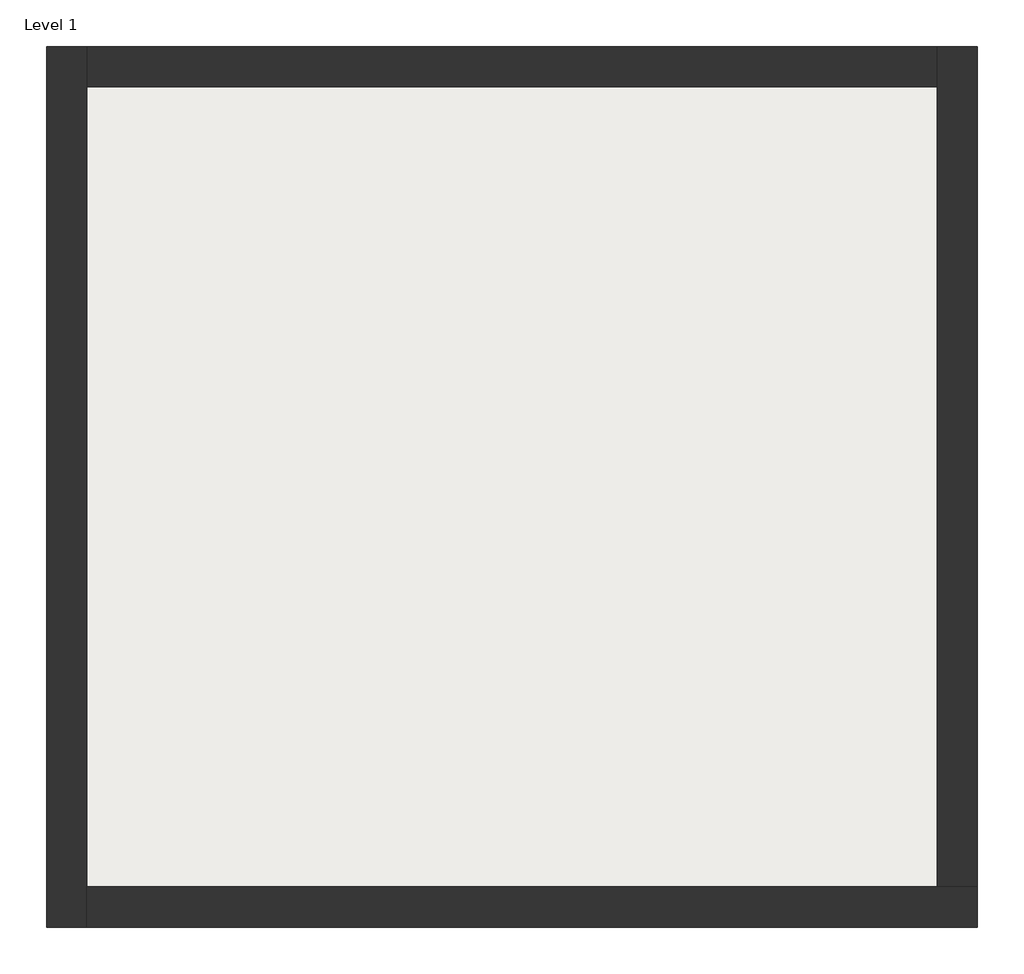
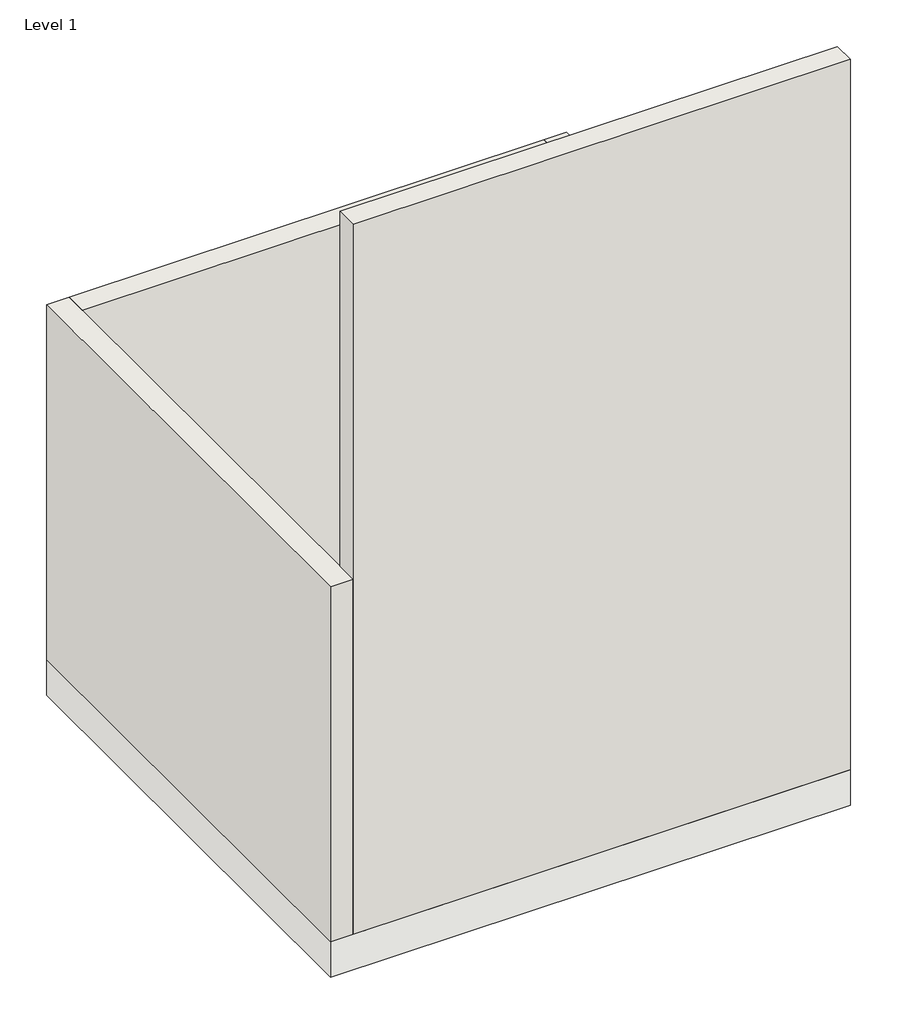
# One storey: 4 walls, 1 slab.
"""IFC4 building model written with IfcOpenShell, lengths in millimetres."""

from ifc_helpers import new_model, si_unit, frame, origin, origin_with_axes, place, context, project, spatial, polyline, outline, extrude, faceted_brep, element, save

model = new_model("IFC4")

# Units and contexts
model_context = context("Model", 3, world=origin())
ifc_project = project(units=[si_unit("LENGTHUNIT", "METRE", prefix="MILLI")], contexts=[model_context])

# Site, building, storey
site = spatial("IfcSite", under=ifc_project)
building = spatial("IfcBuilding", under=site)
storey = spatial("IfcBuildingStorey", under=building, Name="Level 1", Elevation=0.0)

# Slab
placement = place(None, origin())
element("IfcSlab", 1, ObjectType="30 concrete", at=placement, inside=storey, context=model_context, shape_type="SweptSolid", body=[
    extrude(outline(polyline([(-11774.9425286, 4829.861231), (-11774.9425286, -410.138769), (-17314.9425286, -410.138769), (-17314.9425286, 4829.861231), (-11774.9425286, 4829.861231)])), frame((0.0, 0.0, -400.0), z_axis=(0.0, 0.0, 1.0), x_axis=(1.0, 0.0, 0.0)), (0.0, 0.0, 1.0), 400.0),
])

# Walls
element("IfcWall", 2, ObjectType="20 block", at=placement, inside=storey, context=model_context, shape_type="Brep", body=[
    faceted_brep([(-17314.9425286, 4829.861231, 0.0), (-17314.9425286, -410.138769, 0.0), (-17314.9425286, -410.138769, 4000.0), (-17314.9425286, 4829.861231, 4000.0), (-17074.9425286, 4829.861231, 0.0), (-17074.9425286, 4829.861231, 4000.0), (-17074.9425286, 4589.861231, 4000.0), (-17074.9425286, -410.138769, 4000.0), (-17074.9425286, -410.138769, 0.0), (-17074.9425286, -170.138769, 0.0), (-17074.9425286, 4589.861231, 0.0)], [[[0, 1, 2, 3]], [[4, 5, 6, 7, 8, 9, 10]], [[1, 0, 4, 10, 9, 8]], [[3, 2, 7, 6, 5]], [[2, 1, 8, 7]], [[0, 3, 5, 4]]]),
])
element("IfcWall", 3, ObjectType="20 block", at=placement, inside=storey, context=model_context, shape_type="Brep", body=[
    faceted_brep([(-17074.9425286, -410.138769, 0.0), (-11774.9425286, -410.138769, 0.0), (-11774.9425286, -410.138769, 8000.0), (-17074.9425286, -410.138769, 8000.0), (-17074.9425286, -410.138769, 4000.0), (-17074.9425286, -170.138769, 0.0), (-17074.9425286, -170.138769, 8000.0), (-11774.9425286, -170.138769, 8000.0), (-11774.9425286, -170.138769, 4000.0), (-11774.9425286, -170.138769, 0.0), (-12014.9425286, -170.138769, 0.0)], [[[0, 1, 2, 3, 4]], [[5, 6, 7, 8, 9, 10]], [[1, 0, 5, 10, 9]], [[3, 2, 7, 6]], [[0, 4, 3, 6, 5]], [[2, 1, 9, 8, 7]]]),
])
element("IfcWall", 4, ObjectType="20 block", at=placement, inside=storey, context=model_context, shape_type="Brep", body=[
    faceted_brep([(-11774.9425286, -170.138769, 0.0), (-11774.9425286, 4829.861231, 0.0), (-11774.9425286, 4829.861231, 4000.0), (-11774.9425286, -170.138769, 4000.0), (-12014.9425286, -170.138769, 0.0), (-12014.9425286, -170.138769, 4000.0), (-12014.9425286, 4589.861231, 4000.0), (-12014.9425286, 4829.861231, 4000.0), (-12014.9425286, 4829.861231, 0.0), (-12014.9425286, 4589.861231, 0.0)], [[[0, 1, 2, 3]], [[4, 5, 6, 7, 8, 9]], [[1, 0, 4, 9, 8]], [[3, 2, 7, 6, 5]], [[0, 3, 5, 4]], [[2, 1, 8, 7]]]),
])
element("IfcWall", 5, ObjectType="20 block", at=placement, inside=storey, context=model_context, shape_type="SweptSolid", body=[
    extrude(outline(polyline([(-17074.9425286, 4829.861231), (-12014.9425286, 4829.861231), (-12014.9425286, 4589.861231), (-17074.9425286, 4589.861231), (-17074.9425286, 4829.861231)])), origin_with_axes(), (0.0, 0.0, 1.0), 4000.0),
])

save(model, "model.ifc")
